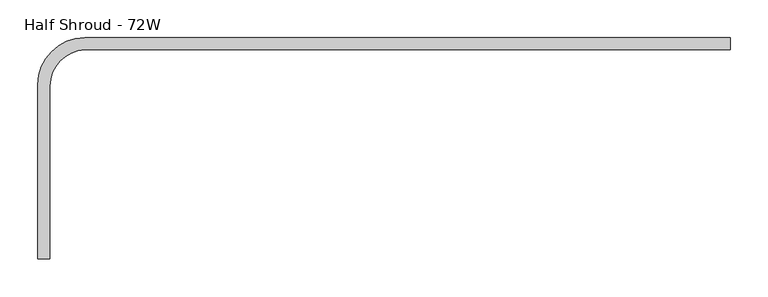
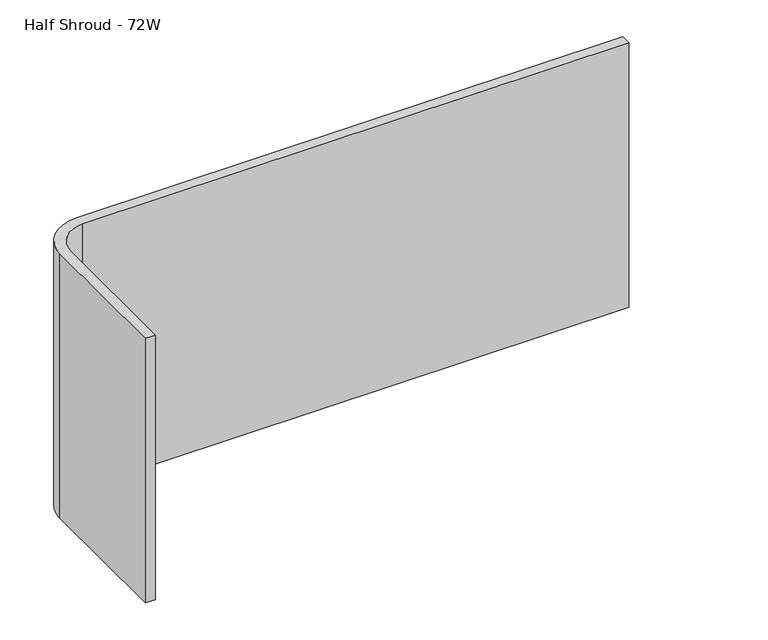
"""IFC4 building model written with IfcOpenShell, lengths in millimetres: furniture geometry, Half Shroud - 72W."""

import ifcopenshell
import ifcopenshell.guid

model = None  # the IFC model being written
_history = None  # IfcOwnerHistory: only IFC2X3 demands one
_inside = {}  # id of a spatial element -> (the spatial element, [elements in it])
_under = {}  # id of a project, library or spatial element -> (it, [spatial elements below it])
_declared = {}  # id of a project -> (the project, [libraries it declares])
_typed = {}  # id of a type object -> (the type object, [elements of that type])
_made_of = {}  # id of a material, layer set ... -> (it, [elements and type objects made of it])


def new_model(schema):
    """Start an empty IFC model of exactly this schema.

    Asked for "IFC4X3", IfcOpenShell would pick the latest addendum, in which some entities
    have other attributes; the version numbers below select the first issue.
    IFC2X3 requires an IfcOwnerHistory on every rooted entity: one is made here for all.
    """
    global model, _history
    if schema == "IFC4X3":
        model = ifcopenshell.file(schema_version=(4, 3, 0, 0))
    else:
        model = ifcopenshell.file(schema=schema)
    _inside.clear()
    _under.clear()
    _declared.clear()
    _typed.clear()
    _made_of.clear()
    _history = None
    if model.schema == "IFC2X3":
        org = make("IfcOrganization", Name="unknown")
        user = make(
            "IfcPersonAndOrganization",
            ThePerson=make("IfcPerson", FamilyName="unknown"),
            TheOrganization=org,
        )
        app = make(
            "IfcApplication",
            ApplicationDeveloper=org,
            Version="unknown",
            ApplicationFullName="unknown",
            ApplicationIdentifier="unknown",
        )
        _history = make(
            "IfcOwnerHistory",
            OwningUser=user,
            OwningApplication=app,
            ChangeAction="ADDED",
            CreationDate=0,
        )
    return model


def make(cls, **values):
    """One entity of the class cls with the attributes given. An attribute that is None is left unset."""
    return model.create_entity(
        cls, **{name: value for name, value in values.items() if value is not None}
    )


def rooted(cls, **values):
    """An entity with a GlobalId (a new one), such as an element, a storey or a relation."""
    return make(cls, GlobalId=ifcopenshell.guid.new(), OwnerHistory=_history, **values)


def si_unit(unit_type, name, prefix=None):
    """IfcSIUnit, for example si_unit("LENGTHUNIT", "METRE", prefix="MILLI")."""
    return make("IfcSIUnit", UnitType=unit_type, Prefix=prefix, Name=name)


def assignment(units):
    """IfcUnitAssignment: the units of a project."""
    return None if units is None else make("IfcUnitAssignment", Units=units)


def point(xyz):
    """IfcCartesianPoint."""
    return None if xyz is None else make("IfcCartesianPoint", Coordinates=xyz)


def direction(xyz):
    """IfcDirection."""
    return None if xyz is None else make("IfcDirection", DirectionRatios=xyz)


def frame(location, z_axis=None, x_axis=None):
    """IfcAxis2Placement3D, a coordinate frame: its origin and axes. An axis left out is left unset."""
    return make(
        "IfcAxis2Placement3D",
        Location=point(location),
        Axis=direction(z_axis),
        RefDirection=direction(x_axis),
    )


def frame_2d(location, x_axis=None):
    """IfcAxis2Placement2D, a coordinate frame in the plane: its origin and x axis."""
    return make(
        "IfcAxis2Placement2D", Location=point(location), RefDirection=direction(x_axis)
    )


def origin():
    """The frame at (0, 0, 0) with its axes left unset."""
    return frame((0.0, 0.0, 0.0))


def place(relative_to, where):
    """IfcLocalPlacement: puts the frame where relative to a parent placement (None: the world)."""
    return make(
        "IfcLocalPlacement", PlacementRelTo=relative_to, RelativePlacement=where
    )


def context(
    kind, dimensions, precision=None, world=None, true_north=None, identifier=None
):
    """IfcGeometricRepresentationContext, for example the 3D "Model" context."""
    return make(
        "IfcGeometricRepresentationContext",
        ContextIdentifier=identifier,
        ContextType=kind,
        CoordinateSpaceDimension=dimensions,
        Precision=precision,
        WorldCoordinateSystem=world,
        TrueNorth=true_north,
    )


def project(units=None, contexts=None):
    """IfcProject with its units and contexts."""
    return rooted(
        "IfcProject",
        Name="project",
        RepresentationContexts=contexts,
        UnitsInContext=assignment(units),
    )


def spatial(cls, under=None, at=None, **own):
    """A site, building, storey or space (cls), placed at a placement, below another one or the project."""
    s = rooted(cls, ObjectPlacement=at, **own)
    if under is not None:
        _under.setdefault(under.id(), (under, []))[1].append(s)
    return s


def polyline(points):
    """IfcPolyline through the points."""
    return make("IfcPolyline", Points=[point(p) for p in points])


def circle_curve(where, radius):
    """IfcCircle in the frame where."""
    return make("IfcCircle", Position=where, Radius=radius)


def trimmed(basis, trim1, trim2, sense, master):
    """IfcTrimmedCurve: the piece of a basis curve between two trims."""
    return make(
        "IfcTrimmedCurve",
        BasisCurve=basis,
        Trim1=trim1,
        Trim2=trim2,
        SenseAgreement=sense,
        MasterRepresentation=master,
    )


def segment(curve, same_sense, transition):
    """IfcCompositeCurveSegment."""
    return make(
        "IfcCompositeCurveSegment",
        Transition=transition,
        SameSense=same_sense,
        ParentCurve=curve,
    )


def composite_curve(segments, self_intersect=None):
    """IfcCompositeCurve: segments joined end to end."""
    return make("IfcCompositeCurve", Segments=segments, SelfIntersect=self_intersect)


def outline(outer, holes=None, kind="AREA"):
    """IfcArbitraryClosedProfileDef: a profile drawn as a closed curve; with holes, ...WithVoids."""
    if holes is None:
        return make("IfcArbitraryClosedProfileDef", ProfileType=kind, OuterCurve=outer)
    return make(
        "IfcArbitraryProfileDefWithVoids",
        ProfileType=kind,
        OuterCurve=outer,
        InnerCurves=holes,
    )


def extrude(swept, where, along, depth):
    """IfcExtrudedAreaSolid: the profile swept, set in the frame where, extruded along a direction by depth."""
    return make(
        "IfcExtrudedAreaSolid",
        SweptArea=swept,
        Position=where,
        ExtrudedDirection=direction(along),
        Depth=depth,
    )


def shape(context_of_items, identifier, shape_type, items):
    """IfcShapeRepresentation: the items that make up one representation, for example the "Body"."""
    return make(
        "IfcShapeRepresentation",
        ContextOfItems=context_of_items,
        RepresentationIdentifier=identifier,
        RepresentationType=shape_type,
        Items=items,
    )


def source(mapping_origin, context_of_items, identifier, shape_type, items):
    """IfcRepresentationMap: a shape defined once, which mapped items show again and again."""
    return make(
        "IfcRepresentationMap",
        MappingOrigin=mapping_origin,
        MappedRepresentation=shape(context_of_items, identifier, shape_type, items),
    )


def transform(
    local_origin,
    x_axis=None,
    y_axis=None,
    z_axis=None,
    scale=None,
    scale2=None,
    scale3=None,
    uniform=True,
):
    """IfcCartesianTransformationOperator3D, or its non-uniform kind. x_axis, y_axis, z_axis: its Axis1, 2, 3."""
    if uniform:
        return make(
            "IfcCartesianTransformationOperator3D",
            Axis1=direction(x_axis),
            Axis2=direction(y_axis),
            LocalOrigin=point(local_origin),
            Scale=scale,
            Axis3=direction(z_axis),
        )
    return make(
        "IfcCartesianTransformationOperator3DnonUniform",
        Axis1=direction(x_axis),
        Axis2=direction(y_axis),
        LocalOrigin=point(local_origin),
        Scale=scale,
        Axis3=direction(z_axis),
        Scale2=scale2,
        Scale3=scale3,
    )


def mapped(mapping_source, mapping_target):
    """IfcMappedItem: shows the shape of a source again, moved by a transform."""
    return make(
        "IfcMappedItem", MappingSource=mapping_source, MappingTarget=mapping_target
    )


def made_of(thing, what):
    """Note that an element or type object is made of a material, layer set ...; save() writes the relation."""
    if what is not None:
        _made_of.setdefault(what.id(), (what, []))[1].append(thing)
    return thing


def element(
    cls,
    number,
    at=None,
    inside=None,
    cuts=None,
    type_object=None,
    material=None,
    context=None,
    identifier="Body",
    shape_type=None,
    held_by="IfcProductDefinitionShape",
    body=None,
    shapes=None,
    **own,
):
    """One element of the class cls, such as IfcWall. Its Tag is "e" and its number.

    at: its placement. inside: the storey or other place that contains it. cuts: it is an
    opening in that element (IfcRelVoidsElement). A single representation is given by context,
    identifier, shape_type and body (its items); several are given by shapes. held_by: the class
    of the entity that holds the representations. save() writes the other relations.
    """
    e = rooted(cls, Tag="e%d" % number, ObjectPlacement=at, **own)
    if body is not None:
        shapes = [shape(context, identifier, shape_type, body)]
    if shapes is not None:
        e.Representation = make(held_by, Representations=shapes)
    if inside is not None:
        _inside.setdefault(inside.id(), (inside, []))[1].append(e)
    if cuts is not None:
        rooted(
            "IfcRelVoidsElement", RelatingBuildingElement=cuts, RelatedOpeningElement=e
        )
    if type_object is not None:
        _typed.setdefault(type_object.id(), (type_object, []))[1].append(e)
    return made_of(e, material)


def aggregate(whole, parts):
    """IfcRelAggregates: a whole, such as a stair, and the parts it consists of."""
    return rooted("IfcRelAggregates", RelatingObject=whole, RelatedObjects=parts)


def save(model, path):
    """Write the relations noted so far, then the file.

    IfcRelAggregates (storeys below a building ...), IfcRelContainedInSpatialStructure (elements
    in a storey), IfcRelDefinesByType, IfcRelAssociatesMaterial and IfcRelDeclares: one each for
    every whole, place, type object, material and project.
    """
    for whole, parts in _under.values():
        aggregate(whole, parts)
    for where, things in _inside.values():
        rooted(
            "IfcRelContainedInSpatialStructure",
            RelatedElements=things,
            RelatingStructure=where,
        )
    for kind, things in _typed.values():
        rooted("IfcRelDefinesByType", RelatedObjects=things, RelatingType=kind)
    for what, things in _made_of.values():
        rooted("IfcRelAssociatesMaterial", RelatedObjects=things, RelatingMaterial=what)
    for by, libraries in _declared.values():
        rooted("IfcRelDeclares", RelatingContext=by, RelatedDefinitions=libraries)
    model.write(path)


def half_shroud_72w_592b3b65(model_context):
    return source(origin(), model_context, "Body", "SweptSolid", [
        extrude(outline(composite_curve([segment(trimmed(circle_curve(frame_2d((61.7219696, -58.2395876)), 61.7219696), [point((0.0, -58.2395876))], [point((61.7219696, 3.4823819))], False, "CARTESIAN"), True, "CONTINUOUS"), segment(polyline([(61.7219696, 3.4823819), (914.4, 3.4823819), (914.4, -12.519621), (61.7220002, -12.519621)]), True, "CONTINUOUS"), segment(trimmed(circle_curve(frame_2d((63.9194296, -60.5073273)), 48.0379918), [point((61.7220002, -12.519621))], [point((15.8814378, -60.5073273))], True, "CARTESIAN"), True, "CONTINUOUS"), segment(polyline([(15.8814378, -60.5073273), (15.8814378, -288.9196021), (0.0, -288.9196021), (0.0, -58.2395876)]), True, "CONTINUOUS")], self_intersect=False)), frame((0.0, 0.0, 605.082423), z_axis=(0.0, 0.0, 1.0), x_axis=(1.0, 0.0, 0.0)), (0.0, 0.0, 1.0), 436.5085421),
    ])


if __name__ == "__main__":
    model = new_model("IFC4")
    model_context = context("Model", 3, world=origin())
    ifc_project = project(units=[si_unit("LENGTHUNIT", "METRE", prefix="MILLI")], contexts=[model_context])
    site = spatial("IfcSite", under=ifc_project)
    building = spatial("IfcBuilding", under=site)
    placement = place(None, origin())
    half_shroud_72w_shape = half_shroud_72w_592b3b65(model_context)
    element("IfcFurniture", 1, ObjectType="Half Shroud - 72W", at=placement, inside=building, context=model_context, shape_type="MappedRepresentation", body=[
        mapped(half_shroud_72w_shape, transform((0.0, 0.0, 0.0), x_axis=(1.0, 0.0, 0.0), y_axis=(0.0, 1.0, 0.0), z_axis=(0.0, 0.0, 1.0))),
    ])
    save(model, "model.ifc")
